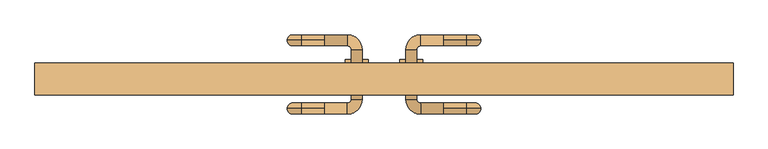
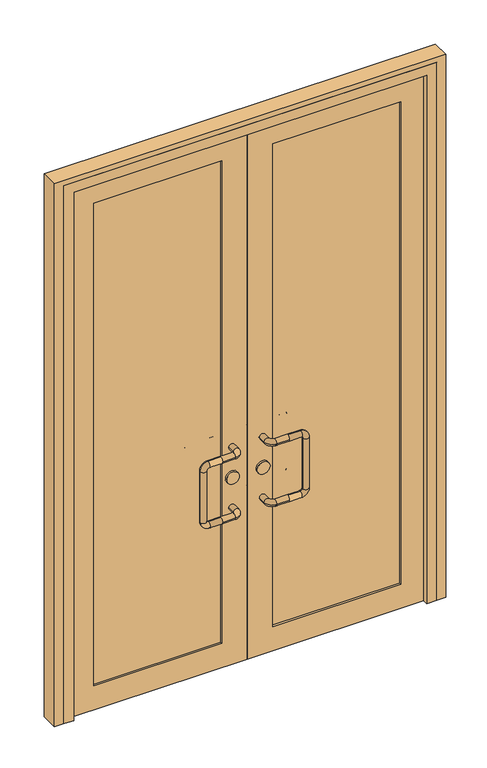
"""IFC4 building model written with IfcOpenShell, lengths in millimetres: door geometry."""

from ifc_helpers import new_model, si_unit, point, frame, frame_2d, origin, place, context, project, spatial, polyline, circle_curve, ellipse_curve, trimmed, segment, composite_curve, outline, extrude, faceted_brep, source, transform, mapped, element, save
from ifc_brep_helpers import cylinder_surface, revolved_surface, advanced_brep


def door_734d596a(model_context):
    return source(origin(), model_context, "Body", "SolidModel", [
        advanced_brep(
        [(-130.0, 182.0, 900.0), (-130.0, 170.0, 912.0), (-130.0, 158.0, 900.0), (-80.0, 158.0, 900.0), (-80.0, 182.0, 900.0), (-130.0, 170.0, 888.0), (-72.0, 150.0, 900.0), (-48.0, 150.0, 900.0), (-72.0, 40.0, 900.0), (-48.0, 40.0, 900.0), (-80.0, 32.0, 900.0), (-80.0, 8.0, 900.0), (-130.0, 32.0, 900.0), (-130.0, 20.0, 912.0), (-130.0, 8.0, 900.0), (-130.0, 20.0, 888.0), (-180.0, 170.0, 912.0), (-180.0, 170.0, 888.0), (-212.0, 170.0, 880.0), (-188.0, 170.0, 880.0), (-212.0, 170.0, 670.0), (-188.0, 170.0, 670.0), (-180.0, 170.0, 638.0), (-180.0, 170.0, 662.0), (-130.0, 170.0, 638.0), (-130.0, 158.0, 650.0), (-130.0, 170.0, 662.0), (-130.0, 182.0, 650.0), (-80.0, 158.0, 650.0), (-80.0, 182.0, 650.0), (-72.0, 150.0, 650.0), (-48.0, 150.0, 650.0), (-72.0, 40.0, 650.0), (-48.0, 40.0, 650.0), (-80.0, 32.0, 650.0), (-80.0, 8.0, 650.0), (-130.0, 32.0, 650.0), (-130.0, 20.0, 662.0), (-130.0, 8.0, 650.0), (-130.0, 20.0, 638.0), (-180.0, 20.0, 912.0), (-180.0, 20.0, 888.0), (-212.0, 20.0, 880.0), (-188.0, 20.0, 880.0), (-212.0, 20.0, 670.0), (-188.0, 20.0, 670.0), (-180.0, 20.0, 638.0), (-180.0, 20.0, 662.0)],
        [
            (0, 1, circle_curve(frame((-130.0, 170.0, 900.0), z_axis=(1.0, 0.0, 0.0), x_axis=(0.0, -1.0, 0.0)), 12.0)),
            (1, 2, circle_curve(frame((-130.0, 170.0, 900.0), z_axis=(1.0, 0.0, 0.0), x_axis=(0.0, -1.0, 0.0)), 12.0)),
            (2, 3),
            (3, 4, circle_curve(frame((-80.0, 170.0, 900.0), z_axis=(-1.0, 0.0, 0.0), x_axis=(0.0, -1.0, 0.0)), 12.0)),
            (4, 0),
            (4, 3, circle_curve(frame((-80.0, 170.0, 900.0), z_axis=(-1.0, 0.0, 0.0), x_axis=(0.0, -1.0, 0.0)), 12.0)),
            (2, 5, circle_curve(frame((-130.0, 170.0, 900.0), z_axis=(1.0, 0.0, 0.0), x_axis=(0.0, -1.0, 0.0)), 12.0)),
            (5, 0, circle_curve(frame((-130.0, 170.0, 900.0), z_axis=(1.0, 0.0, 0.0), x_axis=(0.0, -1.0, 0.0)), 12.0)),
            (3, 6, circle_curve(frame((-80.0, 150.0, 900.0), z_axis=(0.0, 0.0, -1.0), x_axis=(0.0, 1.0, 0.0)), 8.0)),
            (6, 7, circle_curve(frame((-60.0, 150.0, 900.0), z_axis=(0.0, 1.0, 0.0), x_axis=(-1.0, 0.0, 0.0)), 12.0)),
            (7, 4, circle_curve(frame((-80.0, 150.0, 900.0), z_axis=(0.0, 0.0, 1.0), x_axis=(0.0, 1.0, 0.0)), 32.0)),
            (7, 6, circle_curve(frame((-60.0, 150.0, 900.0), z_axis=(0.0, 1.0, 0.0), x_axis=(-1.0, 0.0, 0.0)), 12.0)),
            (6, 8),
            (8, 9, circle_curve(frame((-60.0, 40.0, 900.0), z_axis=(0.0, 1.0, 0.0), x_axis=(-1.0, 0.0, 0.0)), 12.0)),
            (9, 7),
            (9, 8, circle_curve(frame((-60.0, 40.0, 900.0), z_axis=(0.0, 1.0, 0.0), x_axis=(-1.0, 0.0, 0.0)), 12.0)),
            (8, 10, circle_curve(frame((-80.0, 40.0, 900.0), z_axis=(0.0, 0.0, -1.0), x_axis=(1.0, 0.0, 0.0)), 8.0)),
            (10, 11, circle_curve(frame((-80.0, 20.0, 900.0), z_axis=(1.0, 0.0, 0.0), x_axis=(0.0, 1.0, 0.0)), 12.0)),
            (11, 9, circle_curve(frame((-80.0, 40.0, 900.0), z_axis=(0.0, 0.0, 1.0), x_axis=(1.0, 0.0, 0.0)), 32.0)),
            (11, 10, circle_curve(frame((-80.0, 20.0, 900.0), z_axis=(1.0, 0.0, 0.0), x_axis=(0.0, 1.0, 0.0)), 12.0)),
            (10, 12),
            (12, 13, circle_curve(frame((-130.0, 20.0, 900.0), z_axis=(1.0, 0.0, 0.0), x_axis=(0.0, 1.0, 0.0)), 12.0)),
            (13, 14, circle_curve(frame((-130.0, 20.0, 900.0), z_axis=(1.0, 0.0, 0.0), x_axis=(0.0, 1.0, 0.0)), 12.0)),
            (14, 11),
            (14, 15, circle_curve(frame((-130.0, 20.0, 900.0), z_axis=(1.0, 0.0, 0.0), x_axis=(0.0, 1.0, 0.0)), 12.0)),
            (15, 12, circle_curve(frame((-130.0, 20.0, 900.0), z_axis=(1.0, 0.0, 0.0), x_axis=(0.0, 1.0, 0.0)), 12.0)),
            (1, 16),
            (16, 17, circle_curve(frame((-180.0, 170.0, 900.0), z_axis=(1.0, 0.0, 0.0), x_axis=(0.0, 0.0, 1.0)), 12.0)),
            (17, 5),
            (17, 16, circle_curve(frame((-180.0, 170.0, 900.0), z_axis=(1.0, 0.0, 0.0), x_axis=(0.0, 0.0, 1.0)), 12.0)),
            (16, 18, circle_curve(frame((-180.0, 170.0, 880.0), z_axis=(0.0, -1.0, 0.0), x_axis=(0.0, 0.0, 1.0)), 32.0)),
            (18, 19, circle_curve(frame((-200.0, 170.0, 880.0), z_axis=(0.0, 0.0, 1.0), x_axis=(-1.0, 0.0, 0.0)), 12.0)),
            (19, 17, circle_curve(frame((-180.0, 170.0, 880.0), z_axis=(0.0, 1.0, 0.0), x_axis=(0.0, 0.0, 1.0)), 8.0)),
            (19, 18, circle_curve(frame((-200.0, 170.0, 880.0), z_axis=(0.0, 0.0, 1.0), x_axis=(-1.0, 0.0, 0.0)), 12.0)),
            (18, 20),
            (20, 21, circle_curve(frame((-200.0, 170.0, 670.0), z_axis=(0.0, 0.0, 1.0), x_axis=(-1.0, 0.0, 0.0)), 12.0)),
            (21, 19),
            (21, 20, circle_curve(frame((-200.0, 170.0, 670.0), z_axis=(0.0, 0.0, 1.0), x_axis=(-1.0, 0.0, 0.0)), 12.0)),
            (20, 22, circle_curve(frame((-180.0, 170.0, 670.0), z_axis=(0.0, -1.0, 0.0), x_axis=(-1.0, 0.0, 0.0)), 32.0)),
            (22, 23, circle_curve(frame((-180.0, 170.0, 650.0), z_axis=(-1.0, 0.0, 0.0), x_axis=(0.0, 0.0, -1.0)), 12.0)),
            (23, 21, circle_curve(frame((-180.0, 170.0, 670.0), z_axis=(0.0, 1.0, 0.0), x_axis=(-1.0, 0.0, 0.0)), 8.0)),
            (23, 22, circle_curve(frame((-180.0, 170.0, 650.0), z_axis=(-1.0, 0.0, 0.0), x_axis=(0.0, 0.0, -1.0)), 12.0)),
            (22, 24),
            (24, 25, circle_curve(frame((-130.0, 170.0, 650.0), z_axis=(-1.0, 0.0, 0.0), x_axis=(0.0, 0.0, -1.0)), 12.0)),
            (25, 26, circle_curve(frame((-130.0, 170.0, 650.0), z_axis=(-1.0, 0.0, 0.0), x_axis=(0.0, 0.0, -1.0)), 12.0)),
            (26, 23),
            (26, 27, circle_curve(frame((-130.0, 170.0, 650.0), z_axis=(-1.0, 0.0, 0.0), x_axis=(0.0, 0.0, -1.0)), 12.0)),
            (27, 24, circle_curve(frame((-130.0, 170.0, 650.0), z_axis=(-1.0, 0.0, 0.0), x_axis=(0.0, 0.0, -1.0)), 12.0)),
            (25, 28),
            (28, 29, circle_curve(frame((-80.0, 170.0, 650.0), z_axis=(-1.0, 0.0, 0.0), x_axis=(0.0, -1.0, 0.0)), 12.0)),
            (29, 27),
            (29, 28, circle_curve(frame((-80.0, 170.0, 650.0), z_axis=(-1.0, 0.0, 0.0), x_axis=(0.0, -1.0, 0.0)), 12.0)),
            (28, 30, circle_curve(frame((-80.0, 150.0, 650.0), z_axis=(0.0, 0.0, -1.0), x_axis=(0.0, 1.0, 0.0)), 8.0)),
            (30, 31, circle_curve(frame((-60.0, 150.0, 650.0), z_axis=(0.0, 1.0, 0.0), x_axis=(-1.0, 0.0, 0.0)), 12.0)),
            (31, 29, circle_curve(frame((-80.0, 150.0, 650.0), z_axis=(0.0, 0.0, 1.0), x_axis=(0.0, 1.0, 0.0)), 32.0)),
            (31, 30, circle_curve(frame((-60.0, 150.0, 650.0), z_axis=(0.0, 1.0, 0.0), x_axis=(-1.0, 0.0, 0.0)), 12.0)),
            (30, 32),
            (32, 33, circle_curve(frame((-60.0, 40.0, 650.0), z_axis=(0.0, 1.0, 0.0), x_axis=(-1.0, 0.0, 0.0)), 12.0)),
            (33, 31),
            (33, 32, circle_curve(frame((-60.0, 40.0, 650.0), z_axis=(0.0, 1.0, 0.0), x_axis=(-1.0, 0.0, 0.0)), 12.0)),
            (32, 34, circle_curve(frame((-80.0, 40.0, 650.0), z_axis=(0.0, 0.0, -1.0), x_axis=(1.0, 0.0, 0.0)), 8.0)),
            (34, 35, circle_curve(frame((-80.0, 20.0, 650.0), z_axis=(1.0, 0.0, 0.0), x_axis=(0.0, 1.0, 0.0)), 12.0)),
            (35, 33, circle_curve(frame((-80.0, 40.0, 650.0), z_axis=(0.0, 0.0, 1.0), x_axis=(1.0, 0.0, 0.0)), 32.0)),
            (35, 34, circle_curve(frame((-80.0, 20.0, 650.0), z_axis=(1.0, 0.0, 0.0), x_axis=(0.0, 1.0, 0.0)), 12.0)),
            (34, 36),
            (36, 37, circle_curve(frame((-130.0, 20.0, 650.0), z_axis=(1.0, 0.0, 0.0), x_axis=(0.0, 1.0, 0.0)), 12.0)),
            (37, 38, circle_curve(frame((-130.0, 20.0, 650.0), z_axis=(1.0, 0.0, 0.0), x_axis=(0.0, 1.0, 0.0)), 12.0)),
            (38, 35),
            (38, 39, circle_curve(frame((-130.0, 20.0, 650.0), z_axis=(1.0, 0.0, 0.0), x_axis=(0.0, 1.0, 0.0)), 12.0)),
            (39, 36, circle_curve(frame((-130.0, 20.0, 650.0), z_axis=(1.0, 0.0, 0.0), x_axis=(0.0, 1.0, 0.0)), 12.0)),
            (13, 40),
            (40, 41, circle_curve(frame((-180.0, 20.0, 900.0), z_axis=(1.0, 0.0, 0.0), x_axis=(0.0, 0.0, 1.0)), 12.0)),
            (41, 15),
            (41, 40, circle_curve(frame((-180.0, 20.0, 900.0), z_axis=(1.0, 0.0, 0.0), x_axis=(0.0, 0.0, 1.0)), 12.0)),
            (40, 42, circle_curve(frame((-180.0, 20.0, 880.0), z_axis=(0.0, -1.0, 0.0), x_axis=(0.0, 0.0, 1.0)), 32.0)),
            (42, 43, circle_curve(frame((-200.0, 20.0, 880.0), z_axis=(0.0, 0.0, 1.0), x_axis=(-1.0, 0.0, 0.0)), 12.0)),
            (43, 41, circle_curve(frame((-180.0, 20.0, 880.0), z_axis=(0.0, 1.0, 0.0), x_axis=(0.0, 0.0, 1.0)), 8.0)),
            (43, 42, circle_curve(frame((-200.0, 20.0, 880.0), z_axis=(0.0, 0.0, 1.0), x_axis=(-1.0, 0.0, 0.0)), 12.0)),
            (42, 44),
            (44, 45, circle_curve(frame((-200.0, 20.0, 670.0), z_axis=(0.0, 0.0, 1.0), x_axis=(-1.0, 0.0, 0.0)), 12.0)),
            (45, 43),
            (45, 44, circle_curve(frame((-200.0, 20.0, 670.0), z_axis=(0.0, 0.0, 1.0), x_axis=(-1.0, 0.0, 0.0)), 12.0)),
            (44, 46, circle_curve(frame((-180.0, 20.0, 670.0), z_axis=(0.0, -1.0, 0.0), x_axis=(-1.0, 0.0, 0.0)), 32.0)),
            (46, 47, circle_curve(frame((-180.0, 20.0, 650.0), z_axis=(-1.0, 0.0, 0.0), x_axis=(0.0, 0.0, -1.0)), 12.0)),
            (47, 45, circle_curve(frame((-180.0, 20.0, 670.0), z_axis=(0.0, 1.0, 0.0), x_axis=(-1.0, 0.0, 0.0)), 8.0)),
            (47, 46, circle_curve(frame((-180.0, 20.0, 650.0), z_axis=(-1.0, 0.0, 0.0), x_axis=(0.0, 0.0, -1.0)), 12.0)),
            (46, 39),
            (37, 47),
        ],
        [
            cylinder_surface(frame((-130.0, 170.0, 900.0), z_axis=(-1.0, 0.0, 0.0), x_axis=(0.0, -1.0, 0.0)), 12.0),
            revolved_surface(trimmed(ellipse_curve(frame((-80.0, 170.0, 900.0), z_axis=(1.0, 0.0, 0.0), x_axis=(0.0, -1.0, 0.0)), 12.0, 12.0), [point((-80.0, 182.0, 900.0))], [point((-80.0, 158.0, 900.0))], True, "CARTESIAN"), (-80.0, 150.0, 900.0), (0.0, 0.0, 1.0)),
            revolved_surface(trimmed(ellipse_curve(frame((-80.0, 170.0, 900.0), z_axis=(1.0, 0.0, 0.0), x_axis=(0.0, -1.0, 0.0)), 12.0, 12.0), [point((-80.0, 158.0, 900.0))], [point((-80.0, 182.0, 900.0))], True, "CARTESIAN"), (-80.0, 150.0, 900.0), (0.0, 0.0, 1.0)),
            cylinder_surface(frame((-60.0, 150.0, 900.0), z_axis=(0.0, 1.0, 0.0), x_axis=(-1.0, 0.0, 0.0)), 12.0),
            revolved_surface(trimmed(ellipse_curve(frame((-60.0, 40.0, 900.0), z_axis=(0.0, -1.0, 0.0), x_axis=(-1.0, 0.0, 0.0)), 12.0, 12.0), [point((-48.0, 40.0, 900.0))], [point((-72.0, 40.0, 900.0))], True, "CARTESIAN"), (-80.0, 40.0, 900.0), (0.0, 0.0, 1.0)),
            revolved_surface(trimmed(ellipse_curve(frame((-60.0, 40.0, 900.0), z_axis=(0.0, -1.0, 0.0), x_axis=(-1.0, 0.0, 0.0)), 12.0, 12.0), [point((-72.0, 40.0, 900.0))], [point((-48.0, 40.0, 900.0))], True, "CARTESIAN"), (-80.0, 40.0, 900.0), (0.0, 0.0, 1.0)),
            cylinder_surface(frame((-80.0, 20.0, 900.0), z_axis=(1.0, 0.0, 0.0), x_axis=(0.0, 1.0, 0.0)), 12.0),
            cylinder_surface(frame((-130.0, 170.0, 900.0), z_axis=(1.0, 0.0, 0.0), x_axis=(0.0, 0.0, 1.0)), 12.0),
            revolved_surface(trimmed(ellipse_curve(frame((-180.0, 170.0, 900.0), z_axis=(-1.0, 0.0, 0.0), x_axis=(0.0, 0.0, 1.0)), 12.0, 12.0), [point((-180.0, 170.0, 888.0))], [point((-180.0, 170.0, 912.0))], True, "CARTESIAN"), (-180.0, 170.0, 880.0), (0.0, 1.0, 0.0)),
            revolved_surface(trimmed(ellipse_curve(frame((-180.0, 170.0, 900.0), z_axis=(-1.0, 0.0, 0.0), x_axis=(0.0, 0.0, 1.0)), 12.0, 12.0), [point((-180.0, 170.0, 912.0))], [point((-180.0, 170.0, 888.0))], True, "CARTESIAN"), (-180.0, 170.0, 880.0), (0.0, 1.0, 0.0)),
            cylinder_surface(frame((-200.0, 170.0, 880.0), z_axis=(0.0, 0.0, 1.0), x_axis=(-1.0, 0.0, 0.0)), 12.0),
            revolved_surface(trimmed(ellipse_curve(frame((-200.0, 170.0, 670.0), z_axis=(0.0, 0.0, -1.0), x_axis=(-1.0, 0.0, 0.0)), 12.0, 12.0), [point((-188.0, 170.0, 670.0))], [point((-212.0, 170.0, 670.0))], True, "CARTESIAN"), (-180.0, 170.0, 670.0), (0.0, 1.0, 0.0)),
            revolved_surface(trimmed(ellipse_curve(frame((-200.0, 170.0, 670.0), z_axis=(0.0, 0.0, -1.0), x_axis=(-1.0, 0.0, 0.0)), 12.0, 12.0), [point((-212.0, 170.0, 670.0))], [point((-188.0, 170.0, 670.0))], True, "CARTESIAN"), (-180.0, 170.0, 670.0), (0.0, 1.0, 0.0)),
            cylinder_surface(frame((-180.0, 170.0, 650.0), z_axis=(-1.0, 0.0, 0.0), x_axis=(0.0, 0.0, -1.0)), 12.0),
            cylinder_surface(frame((-130.0, 170.0, 650.0), z_axis=(-1.0, 0.0, 0.0), x_axis=(0.0, -1.0, 0.0)), 12.0),
            revolved_surface(trimmed(ellipse_curve(frame((-80.0, 170.0, 650.0), z_axis=(1.0, 0.0, 0.0), x_axis=(0.0, -1.0, 0.0)), 12.0, 12.0), [point((-80.0, 182.0, 650.0))], [point((-80.0, 158.0, 650.0))], True, "CARTESIAN"), (-80.0, 150.0, 650.0), (0.0, 0.0, 1.0)),
            revolved_surface(trimmed(ellipse_curve(frame((-80.0, 170.0, 650.0), z_axis=(1.0, 0.0, 0.0), x_axis=(0.0, -1.0, 0.0)), 12.0, 12.0), [point((-80.0, 158.0, 650.0))], [point((-80.0, 182.0, 650.0))], True, "CARTESIAN"), (-80.0, 150.0, 650.0), (0.0, 0.0, 1.0)),
            cylinder_surface(frame((-60.0, 150.0, 650.0), z_axis=(0.0, 1.0, 0.0), x_axis=(-1.0, 0.0, 0.0)), 12.0),
            revolved_surface(trimmed(ellipse_curve(frame((-60.0, 40.0, 650.0), z_axis=(0.0, -1.0, 0.0), x_axis=(-1.0, 0.0, 0.0)), 12.0, 12.0), [point((-48.0, 40.0, 650.0))], [point((-72.0, 40.0, 650.0))], True, "CARTESIAN"), (-80.0, 40.0, 650.0), (0.0, 0.0, 1.0)),
            revolved_surface(trimmed(ellipse_curve(frame((-60.0, 40.0, 650.0), z_axis=(0.0, -1.0, 0.0), x_axis=(-1.0, 0.0, 0.0)), 12.0, 12.0), [point((-72.0, 40.0, 650.0))], [point((-48.0, 40.0, 650.0))], True, "CARTESIAN"), (-80.0, 40.0, 650.0), (0.0, 0.0, 1.0)),
            cylinder_surface(frame((-80.0, 20.0, 650.0), z_axis=(1.0, 0.0, 0.0), x_axis=(0.0, 1.0, 0.0)), 12.0),
            cylinder_surface(frame((-130.0, 20.0, 900.0), z_axis=(1.0, 0.0, 0.0), x_axis=(0.0, 0.0, 1.0)), 12.0),
            revolved_surface(trimmed(ellipse_curve(frame((-180.0, 20.0, 900.0), z_axis=(-1.0, 0.0, 0.0), x_axis=(0.0, 0.0, 1.0)), 12.0, 12.0), [point((-180.0, 20.0, 888.0))], [point((-180.0, 20.0, 912.0))], True, "CARTESIAN"), (-180.0, 20.0, 880.0), (0.0, 1.0, 0.0)),
            revolved_surface(trimmed(ellipse_curve(frame((-180.0, 20.0, 900.0), z_axis=(-1.0, 0.0, 0.0), x_axis=(0.0, 0.0, 1.0)), 12.0, 12.0), [point((-180.0, 20.0, 912.0))], [point((-180.0, 20.0, 888.0))], True, "CARTESIAN"), (-180.0, 20.0, 880.0), (0.0, 1.0, 0.0)),
            cylinder_surface(frame((-200.0, 20.0, 880.0), z_axis=(0.0, 0.0, 1.0), x_axis=(-1.0, 0.0, 0.0)), 12.0),
            revolved_surface(trimmed(ellipse_curve(frame((-200.0, 20.0, 670.0), z_axis=(0.0, 0.0, -1.0), x_axis=(-1.0, 0.0, 0.0)), 12.0, 12.0), [point((-188.0, 20.0, 670.0))], [point((-212.0, 20.0, 670.0))], True, "CARTESIAN"), (-180.0, 20.0, 670.0), (0.0, 1.0, 0.0)),
            revolved_surface(trimmed(ellipse_curve(frame((-200.0, 20.0, 670.0), z_axis=(0.0, 0.0, -1.0), x_axis=(-1.0, 0.0, 0.0)), 12.0, 12.0), [point((-212.0, 20.0, 670.0))], [point((-188.0, 20.0, 670.0))], True, "CARTESIAN"), (-180.0, 20.0, 670.0), (0.0, 1.0, 0.0)),
            cylinder_surface(frame((-180.0, 20.0, 650.0), z_axis=(-1.0, 0.0, 0.0), x_axis=(0.0, 0.0, -1.0)), 12.0),
        ],
        [
            (0, [[1, 2, 3, 4, 5]]),
            (0, [[6, -3, 7, 8, -5]]),
            (1, [[9, 10, 11, -4]]),
            (2, [[-11, 12, -9, -6]]),
            (3, [[13, 14, 15, -10]]),
            (3, [[-15, 16, -13, -12]]),
            (4, [[17, 18, 19, -14]]),
            (5, [[-19, 20, -17, -16]]),
            (6, [[21, 22, 23, 24, -18]]),
            (6, [[-24, 25, 26, -21, -20]]),
            (7, [[-7, -2, 27, 28, 29]]),
            (7, [[30, -27, -1, -8, -29]]),
            (8, [[31, 32, 33, -28]]),
            (9, [[-33, 34, -31, -30]]),
            (10, [[35, 36, 37, -32]]),
            (10, [[-37, 38, -35, -34]]),
            (11, [[39, 40, 41, -36]]),
            (12, [[-41, 42, -39, -38]]),
            (13, [[43, 44, 45, 46, -40]]),
            (13, [[-46, 47, 48, -43, -42]]),
            (14, [[-47, -45, 49, 50, 51]]),
            (14, [[52, -49, -44, -48, -51]]),
            (15, [[53, 54, 55, -50]]),
            (16, [[-55, 56, -53, -52]]),
            (17, [[57, 58, 59, -54]]),
            (17, [[-59, 60, -57, -56]]),
            (18, [[61, 62, 63, -58]]),
            (19, [[-63, 64, -61, -60]]),
            (20, [[65, 66, 67, 68, -62]]),
            (20, [[-68, 69, 70, -65, -64]]),
            (21, [[-25, -23, 71, 72, 73]]),
            (21, [[74, -71, -22, -26, -73]]),
            (22, [[75, 76, 77, -72]]),
            (23, [[-77, 78, -75, -74]]),
            (24, [[79, 80, 81, -76]]),
            (24, [[-81, 82, -79, -78]]),
            (25, [[83, 84, 85, -80]]),
            (26, [[-85, 86, -83, -82]]),
            (27, [[87, -69, -67, 88, -84]]),
            (27, [[-88, -66, -70, -87, -86]]),
        ],
    ),
        extrude(outline(composite_curve([segment(trimmed(circle_curve(frame_2d((775.0, -60.0)), 25.0), [point((775.0, -35.0))], [point((775.0, -85.0))], False, "CARTESIAN"), True, "CONTINUOUS"), segment(trimmed(circle_curve(frame_2d((775.0, -60.0)), 25.0), [point((775.0, -85.0))], [point((775.0, -35.0))], False, "CARTESIAN"), True, "CONTINUOUS")], self_intersect=False)), frame((0.0, 62.0, 0.0), z_axis=(0.0, 1.0, 0.0), x_axis=(0.0, 0.0, 1.0)), (0.0, 0.0, 1.0), 66.0),
        advanced_brep(
        [(130.0, 182.0, 900.0), (80.0, 182.0, 900.0), (80.0, 158.0, 900.0), (130.0, 158.0, 900.0), (130.0, 170.0, 912.0), (130.0, 170.0, 888.0), (48.0, 150.0, 900.0), (72.0, 150.0, 900.0), (48.0, 40.0, 900.0), (72.0, 40.0, 900.0), (80.0, 8.0, 900.0), (80.0, 32.0, 900.0), (130.0, 8.0, 900.0), (130.0, 20.0, 912.0), (130.0, 32.0, 900.0), (130.0, 20.0, 888.0), (180.0, 170.0, 888.0), (180.0, 170.0, 912.0), (188.0, 170.0, 880.0), (212.0, 170.0, 880.0), (188.0, 170.0, 670.0), (212.0, 170.0, 670.0), (180.0, 170.0, 662.0), (180.0, 170.0, 638.0), (130.0, 170.0, 662.0), (130.0, 158.0, 650.0), (130.0, 170.0, 638.0), (130.0, 182.0, 650.0), (80.0, 182.0, 650.0), (80.0, 158.0, 650.0), (48.0, 150.0, 650.0), (72.0, 150.0, 650.0), (48.0, 40.0, 650.0), (72.0, 40.0, 650.0), (80.0, 8.0, 650.0), (80.0, 32.0, 650.0), (130.0, 8.0, 650.0), (130.0, 20.0, 662.0), (130.0, 32.0, 650.0), (130.0, 20.0, 638.0), (180.0, 20.0, 888.0), (180.0, 20.0, 912.0), (188.0, 20.0, 880.0), (212.0, 20.0, 880.0), (188.0, 20.0, 670.0), (212.0, 20.0, 670.0), (180.0, 20.0, 662.0), (180.0, 20.0, 638.0)],
        [
            (0, 1),
            (1, 2, circle_curve(frame((80.0, 170.0, 900.0), z_axis=(1.0, 0.0, 0.0), x_axis=(0.0, -1.0, 0.0)), 12.0)),
            (2, 3),
            (3, 4, circle_curve(frame((130.0, 170.0, 900.0), z_axis=(-1.0, 0.0, 0.0), x_axis=(0.0, -1.0, 0.0)), 12.0)),
            (4, 0, circle_curve(frame((130.0, 170.0, 900.0), z_axis=(-1.0, 0.0, 0.0), x_axis=(0.0, -1.0, 0.0)), 12.0)),
            (0, 5, circle_curve(frame((130.0, 170.0, 900.0), z_axis=(-1.0, 0.0, 0.0), x_axis=(0.0, -1.0, 0.0)), 12.0)),
            (5, 3, circle_curve(frame((130.0, 170.0, 900.0), z_axis=(-1.0, 0.0, 0.0), x_axis=(0.0, -1.0, 0.0)), 12.0)),
            (2, 1, circle_curve(frame((80.0, 170.0, 900.0), z_axis=(1.0, 0.0, 0.0), x_axis=(0.0, -1.0, 0.0)), 12.0)),
            (1, 6, circle_curve(frame((80.0, 150.0, 900.0), z_axis=(0.0, 0.0, 1.0), x_axis=(0.0, 1.0, 0.0)), 32.0)),
            (6, 7, circle_curve(frame((60.0, 150.0, 900.0), z_axis=(0.0, 1.0, 0.0), x_axis=(1.0, 0.0, 0.0)), 12.0)),
            (7, 2, circle_curve(frame((80.0, 150.0, 900.0), z_axis=(0.0, 0.0, -1.0), x_axis=(0.0, 1.0, 0.0)), 8.0)),
            (7, 6, circle_curve(frame((60.0, 150.0, 900.0), z_axis=(0.0, 1.0, 0.0), x_axis=(1.0, 0.0, 0.0)), 12.0)),
            (6, 8),
            (8, 9, circle_curve(frame((60.0, 40.0, 900.0), z_axis=(0.0, 1.0, 0.0), x_axis=(1.0, 0.0, 0.0)), 12.0)),
            (9, 7),
            (9, 8, circle_curve(frame((60.0, 40.0, 900.0), z_axis=(0.0, 1.0, 0.0), x_axis=(1.0, 0.0, 0.0)), 12.0)),
            (8, 10, circle_curve(frame((80.0, 40.0, 900.0), z_axis=(0.0, 0.0, 1.0), x_axis=(-1.0, 0.0, 0.0)), 32.0)),
            (10, 11, circle_curve(frame((80.0, 20.0, 900.0), z_axis=(-1.0, 0.0, 0.0), x_axis=(0.0, 1.0, 0.0)), 12.0)),
            (11, 9, circle_curve(frame((80.0, 40.0, 900.0), z_axis=(0.0, 0.0, -1.0), x_axis=(-1.0, 0.0, 0.0)), 8.0)),
            (11, 10, circle_curve(frame((80.0, 20.0, 900.0), z_axis=(-1.0, 0.0, 0.0), x_axis=(0.0, 1.0, 0.0)), 12.0)),
            (10, 12),
            (12, 13, circle_curve(frame((130.0, 20.0, 900.0), z_axis=(-1.0, 0.0, 0.0), x_axis=(0.0, 1.0, 0.0)), 12.0)),
            (13, 14, circle_curve(frame((130.0, 20.0, 900.0), z_axis=(-1.0, 0.0, 0.0), x_axis=(0.0, 1.0, 0.0)), 12.0)),
            (14, 11),
            (14, 15, circle_curve(frame((130.0, 20.0, 900.0), z_axis=(-1.0, 0.0, 0.0), x_axis=(0.0, 1.0, 0.0)), 12.0)),
            (15, 12, circle_curve(frame((130.0, 20.0, 900.0), z_axis=(-1.0, 0.0, 0.0), x_axis=(0.0, 1.0, 0.0)), 12.0)),
            (5, 16),
            (16, 17, circle_curve(frame((180.0, 170.0, 900.0), z_axis=(-1.0, 0.0, 0.0), x_axis=(0.0, 0.0, 1.0)), 12.0)),
            (17, 4),
            (17, 16, circle_curve(frame((180.0, 170.0, 900.0), z_axis=(-1.0, 0.0, 0.0), x_axis=(0.0, 0.0, 1.0)), 12.0)),
            (16, 18, circle_curve(frame((180.0, 170.0, 880.0), z_axis=(0.0, 1.0, 0.0), x_axis=(0.0, 0.0, 1.0)), 8.0)),
            (18, 19, circle_curve(frame((200.0, 170.0, 880.0), z_axis=(0.0, 0.0, 1.0), x_axis=(1.0, 0.0, 0.0)), 12.0)),
            (19, 17, circle_curve(frame((180.0, 170.0, 880.0), z_axis=(0.0, -1.0, 0.0), x_axis=(0.0, 0.0, 1.0)), 32.0)),
            (19, 18, circle_curve(frame((200.0, 170.0, 880.0), z_axis=(0.0, 0.0, 1.0), x_axis=(1.0, 0.0, 0.0)), 12.0)),
            (18, 20),
            (20, 21, circle_curve(frame((200.0, 170.0, 670.0), z_axis=(0.0, 0.0, 1.0), x_axis=(1.0, 0.0, 0.0)), 12.0)),
            (21, 19),
            (21, 20, circle_curve(frame((200.0, 170.0, 670.0), z_axis=(0.0, 0.0, 1.0), x_axis=(1.0, 0.0, 0.0)), 12.0)),
            (20, 22, circle_curve(frame((180.0, 170.0, 670.0), z_axis=(0.0, 1.0, 0.0), x_axis=(1.0, 0.0, 0.0)), 8.0)),
            (22, 23, circle_curve(frame((180.0, 170.0, 650.0), z_axis=(1.0, 0.0, 0.0), x_axis=(0.0, 0.0, -1.0)), 12.0)),
            (23, 21, circle_curve(frame((180.0, 170.0, 670.0), z_axis=(0.0, -1.0, 0.0), x_axis=(1.0, 0.0, 0.0)), 32.0)),
            (23, 22, circle_curve(frame((180.0, 170.0, 650.0), z_axis=(1.0, 0.0, 0.0), x_axis=(0.0, 0.0, -1.0)), 12.0)),
            (22, 24),
            (24, 25, circle_curve(frame((130.0, 170.0, 650.0), z_axis=(1.0, 0.0, 0.0), x_axis=(0.0, 0.0, -1.0)), 12.0)),
            (25, 26, circle_curve(frame((130.0, 170.0, 650.0), z_axis=(1.0, 0.0, 0.0), x_axis=(0.0, 0.0, -1.0)), 12.0)),
            (26, 23),
            (26, 27, circle_curve(frame((130.0, 170.0, 650.0), z_axis=(1.0, 0.0, 0.0), x_axis=(0.0, 0.0, -1.0)), 12.0)),
            (27, 24, circle_curve(frame((130.0, 170.0, 650.0), z_axis=(1.0, 0.0, 0.0), x_axis=(0.0, 0.0, -1.0)), 12.0)),
            (27, 28),
            (28, 29, circle_curve(frame((80.0, 170.0, 650.0), z_axis=(1.0, 0.0, 0.0), x_axis=(0.0, -1.0, 0.0)), 12.0)),
            (29, 25),
            (29, 28, circle_curve(frame((80.0, 170.0, 650.0), z_axis=(1.0, 0.0, 0.0), x_axis=(0.0, -1.0, 0.0)), 12.0)),
            (28, 30, circle_curve(frame((80.0, 150.0, 650.0), z_axis=(0.0, 0.0, 1.0), x_axis=(0.0, 1.0, 0.0)), 32.0)),
            (30, 31, circle_curve(frame((60.0, 150.0, 650.0), z_axis=(0.0, 1.0, 0.0), x_axis=(1.0, 0.0, 0.0)), 12.0)),
            (31, 29, circle_curve(frame((80.0, 150.0, 650.0), z_axis=(0.0, 0.0, -1.0), x_axis=(0.0, 1.0, 0.0)), 8.0)),
            (31, 30, circle_curve(frame((60.0, 150.0, 650.0), z_axis=(0.0, 1.0, 0.0), x_axis=(1.0, 0.0, 0.0)), 12.0)),
            (30, 32),
            (32, 33, circle_curve(frame((60.0, 40.0, 650.0), z_axis=(0.0, 1.0, 0.0), x_axis=(1.0, 0.0, 0.0)), 12.0)),
            (33, 31),
            (33, 32, circle_curve(frame((60.0, 40.0, 650.0), z_axis=(0.0, 1.0, 0.0), x_axis=(1.0, 0.0, 0.0)), 12.0)),
            (32, 34, circle_curve(frame((80.0, 40.0, 650.0), z_axis=(0.0, 0.0, 1.0), x_axis=(-1.0, 0.0, 0.0)), 32.0)),
            (34, 35, circle_curve(frame((80.0, 20.0, 650.0), z_axis=(-1.0, 0.0, 0.0), x_axis=(0.0, 1.0, 0.0)), 12.0)),
            (35, 33, circle_curve(frame((80.0, 40.0, 650.0), z_axis=(0.0, 0.0, -1.0), x_axis=(-1.0, 0.0, 0.0)), 8.0)),
            (35, 34, circle_curve(frame((80.0, 20.0, 650.0), z_axis=(-1.0, 0.0, 0.0), x_axis=(0.0, 1.0, 0.0)), 12.0)),
            (34, 36),
            (36, 37, circle_curve(frame((130.0, 20.0, 650.0), z_axis=(-1.0, 0.0, 0.0), x_axis=(0.0, 1.0, 0.0)), 12.0)),
            (37, 38, circle_curve(frame((130.0, 20.0, 650.0), z_axis=(-1.0, 0.0, 0.0), x_axis=(0.0, 1.0, 0.0)), 12.0)),
            (38, 35),
            (38, 39, circle_curve(frame((130.0, 20.0, 650.0), z_axis=(-1.0, 0.0, 0.0), x_axis=(0.0, 1.0, 0.0)), 12.0)),
            (39, 36, circle_curve(frame((130.0, 20.0, 650.0), z_axis=(-1.0, 0.0, 0.0), x_axis=(0.0, 1.0, 0.0)), 12.0)),
            (15, 40),
            (40, 41, circle_curve(frame((180.0, 20.0, 900.0), z_axis=(-1.0, 0.0, 0.0), x_axis=(0.0, 0.0, 1.0)), 12.0)),
            (41, 13),
            (41, 40, circle_curve(frame((180.0, 20.0, 900.0), z_axis=(-1.0, 0.0, 0.0), x_axis=(0.0, 0.0, 1.0)), 12.0)),
            (40, 42, circle_curve(frame((180.0, 20.0, 880.0), z_axis=(0.0, 1.0, 0.0), x_axis=(0.0, 0.0, 1.0)), 8.0)),
            (42, 43, circle_curve(frame((200.0, 20.0, 880.0), z_axis=(0.0, 0.0, 1.0), x_axis=(1.0, 0.0, 0.0)), 12.0)),
            (43, 41, circle_curve(frame((180.0, 20.0, 880.0), z_axis=(0.0, -1.0, 0.0), x_axis=(0.0, 0.0, 1.0)), 32.0)),
            (43, 42, circle_curve(frame((200.0, 20.0, 880.0), z_axis=(0.0, 0.0, 1.0), x_axis=(1.0, 0.0, 0.0)), 12.0)),
            (42, 44),
            (44, 45, circle_curve(frame((200.0, 20.0, 670.0), z_axis=(0.0, 0.0, 1.0), x_axis=(1.0, 0.0, 0.0)), 12.0)),
            (45, 43),
            (45, 44, circle_curve(frame((200.0, 20.0, 670.0), z_axis=(0.0, 0.0, 1.0), x_axis=(1.0, 0.0, 0.0)), 12.0)),
            (44, 46, circle_curve(frame((180.0, 20.0, 670.0), z_axis=(0.0, 1.0, 0.0), x_axis=(1.0, 0.0, 0.0)), 8.0)),
            (46, 47, circle_curve(frame((180.0, 20.0, 650.0), z_axis=(1.0, 0.0, 0.0), x_axis=(0.0, 0.0, -1.0)), 12.0)),
            (47, 45, circle_curve(frame((180.0, 20.0, 670.0), z_axis=(0.0, -1.0, 0.0), x_axis=(1.0, 0.0, 0.0)), 32.0)),
            (47, 46, circle_curve(frame((180.0, 20.0, 650.0), z_axis=(1.0, 0.0, 0.0), x_axis=(0.0, 0.0, -1.0)), 12.0)),
            (46, 37),
            (39, 47),
        ],
        [
            cylinder_surface(frame((130.0, 170.0, 900.0), z_axis=(1.0, 0.0, 0.0), x_axis=(0.0, -1.0, 0.0)), 12.0),
            revolved_surface(trimmed(ellipse_curve(frame((80.0, 170.0, 900.0), z_axis=(1.0, 0.0, 0.0), x_axis=(0.0, -1.0, 0.0)), 12.0, 12.0), [point((80.0, 182.0, 900.0))], [point((80.0, 158.0, 900.0))], True, "CARTESIAN"), (80.0, 150.0, 900.0), (0.0, 0.0, 1.0)),
            revolved_surface(trimmed(ellipse_curve(frame((80.0, 170.0, 900.0), z_axis=(1.0, 0.0, 0.0), x_axis=(0.0, -1.0, 0.0)), 12.0, 12.0), [point((80.0, 158.0, 900.0))], [point((80.0, 182.0, 900.0))], True, "CARTESIAN"), (80.0, 150.0, 900.0), (0.0, 0.0, 1.0)),
            cylinder_surface(frame((60.0, 150.0, 900.0), z_axis=(0.0, 1.0, 0.0), x_axis=(1.0, 0.0, 0.0)), 12.0),
            revolved_surface(trimmed(ellipse_curve(frame((60.0, 40.0, 900.0), z_axis=(0.0, 1.0, 0.0), x_axis=(1.0, 0.0, 0.0)), 12.0, 12.0), [point((48.0, 40.0, 900.0))], [point((72.0, 40.0, 900.0))], True, "CARTESIAN"), (80.0, 40.0, 900.0), (0.0, 0.0, 1.0)),
            revolved_surface(trimmed(ellipse_curve(frame((60.0, 40.0, 900.0), z_axis=(0.0, 1.0, 0.0), x_axis=(1.0, 0.0, 0.0)), 12.0, 12.0), [point((72.0, 40.0, 900.0))], [point((48.0, 40.0, 900.0))], True, "CARTESIAN"), (80.0, 40.0, 900.0), (0.0, 0.0, 1.0)),
            cylinder_surface(frame((80.0, 20.0, 900.0), z_axis=(-1.0, 0.0, 0.0), x_axis=(0.0, 1.0, 0.0)), 12.0),
            cylinder_surface(frame((130.0, 170.0, 900.0), z_axis=(-1.0, 0.0, 0.0), x_axis=(0.0, 0.0, 1.0)), 12.0),
            revolved_surface(trimmed(ellipse_curve(frame((180.0, 170.0, 900.0), z_axis=(-1.0, 0.0, 0.0), x_axis=(0.0, 0.0, 1.0)), 12.0, 12.0), [point((180.0, 170.0, 888.0))], [point((180.0, 170.0, 912.0))], True, "CARTESIAN"), (180.0, 170.0, 880.0), (0.0, 1.0, 0.0)),
            revolved_surface(trimmed(ellipse_curve(frame((180.0, 170.0, 900.0), z_axis=(-1.0, 0.0, 0.0), x_axis=(0.0, 0.0, 1.0)), 12.0, 12.0), [point((180.0, 170.0, 912.0))], [point((180.0, 170.0, 888.0))], True, "CARTESIAN"), (180.0, 170.0, 880.0), (0.0, 1.0, 0.0)),
            cylinder_surface(frame((200.0, 170.0, 880.0), z_axis=(0.0, 0.0, 1.0), x_axis=(1.0, 0.0, 0.0)), 12.0),
            revolved_surface(trimmed(ellipse_curve(frame((200.0, 170.0, 670.0), z_axis=(0.0, 0.0, 1.0), x_axis=(1.0, 0.0, 0.0)), 12.0, 12.0), [point((188.0, 170.0, 670.0))], [point((212.0, 170.0, 670.0))], True, "CARTESIAN"), (180.0, 170.0, 670.0), (0.0, 1.0, 0.0)),
            revolved_surface(trimmed(ellipse_curve(frame((200.0, 170.0, 670.0), z_axis=(0.0, 0.0, 1.0), x_axis=(1.0, 0.0, 0.0)), 12.0, 12.0), [point((212.0, 170.0, 670.0))], [point((188.0, 170.0, 670.0))], True, "CARTESIAN"), (180.0, 170.0, 670.0), (0.0, 1.0, 0.0)),
            cylinder_surface(frame((180.0, 170.0, 650.0), z_axis=(1.0, 0.0, 0.0), x_axis=(0.0, 0.0, -1.0)), 12.0),
            cylinder_surface(frame((130.0, 170.0, 650.0), z_axis=(1.0, 0.0, 0.0), x_axis=(0.0, -1.0, 0.0)), 12.0),
            revolved_surface(trimmed(ellipse_curve(frame((80.0, 170.0, 650.0), z_axis=(1.0, 0.0, 0.0), x_axis=(0.0, -1.0, 0.0)), 12.0, 12.0), [point((80.0, 182.0, 650.0))], [point((80.0, 158.0, 650.0))], True, "CARTESIAN"), (80.0, 150.0, 650.0), (0.0, 0.0, 1.0)),
            revolved_surface(trimmed(ellipse_curve(frame((80.0, 170.0, 650.0), z_axis=(1.0, 0.0, 0.0), x_axis=(0.0, -1.0, 0.0)), 12.0, 12.0), [point((80.0, 158.0, 650.0))], [point((80.0, 182.0, 650.0))], True, "CARTESIAN"), (80.0, 150.0, 650.0), (0.0, 0.0, 1.0)),
            cylinder_surface(frame((60.0, 150.0, 650.0), z_axis=(0.0, 1.0, 0.0), x_axis=(1.0, 0.0, 0.0)), 12.0),
            revolved_surface(trimmed(ellipse_curve(frame((60.0, 40.0, 650.0), z_axis=(0.0, 1.0, 0.0), x_axis=(1.0, 0.0, 0.0)), 12.0, 12.0), [point((48.0, 40.0, 650.0))], [point((72.0, 40.0, 650.0))], True, "CARTESIAN"), (80.0, 40.0, 650.0), (0.0, 0.0, 1.0)),
            revolved_surface(trimmed(ellipse_curve(frame((60.0, 40.0, 650.0), z_axis=(0.0, 1.0, 0.0), x_axis=(1.0, 0.0, 0.0)), 12.0, 12.0), [point((72.0, 40.0, 650.0))], [point((48.0, 40.0, 650.0))], True, "CARTESIAN"), (80.0, 40.0, 650.0), (0.0, 0.0, 1.0)),
            cylinder_surface(frame((80.0, 20.0, 650.0), z_axis=(-1.0, 0.0, 0.0), x_axis=(0.0, 1.0, 0.0)), 12.0),
            cylinder_surface(frame((130.0, 20.0, 900.0), z_axis=(-1.0, 0.0, 0.0), x_axis=(0.0, 0.0, 1.0)), 12.0),
            revolved_surface(trimmed(ellipse_curve(frame((180.0, 20.0, 900.0), z_axis=(-1.0, 0.0, 0.0), x_axis=(0.0, 0.0, 1.0)), 12.0, 12.0), [point((180.0, 20.0, 888.0))], [point((180.0, 20.0, 912.0))], True, "CARTESIAN"), (180.0, 20.0, 880.0), (0.0, 1.0, 0.0)),
            revolved_surface(trimmed(ellipse_curve(frame((180.0, 20.0, 900.0), z_axis=(-1.0, 0.0, 0.0), x_axis=(0.0, 0.0, 1.0)), 12.0, 12.0), [point((180.0, 20.0, 912.0))], [point((180.0, 20.0, 888.0))], True, "CARTESIAN"), (180.0, 20.0, 880.0), (0.0, 1.0, 0.0)),
            cylinder_surface(frame((200.0, 20.0, 880.0), z_axis=(0.0, 0.0, 1.0), x_axis=(1.0, 0.0, 0.0)), 12.0),
            revolved_surface(trimmed(ellipse_curve(frame((200.0, 20.0, 670.0), z_axis=(0.0, 0.0, 1.0), x_axis=(1.0, 0.0, 0.0)), 12.0, 12.0), [point((188.0, 20.0, 670.0))], [point((212.0, 20.0, 670.0))], True, "CARTESIAN"), (180.0, 20.0, 670.0), (0.0, 1.0, 0.0)),
            revolved_surface(trimmed(ellipse_curve(frame((200.0, 20.0, 670.0), z_axis=(0.0, 0.0, 1.0), x_axis=(1.0, 0.0, 0.0)), 12.0, 12.0), [point((212.0, 20.0, 670.0))], [point((188.0, 20.0, 670.0))], True, "CARTESIAN"), (180.0, 20.0, 670.0), (0.0, 1.0, 0.0)),
            cylinder_surface(frame((180.0, 20.0, 650.0), z_axis=(1.0, 0.0, 0.0), x_axis=(0.0, 0.0, -1.0)), 12.0),
        ],
        [
            (0, [[1, 2, 3, 4, 5]]),
            (0, [[-1, 6, 7, -3, 8]]),
            (1, [[-2, 9, 10, 11]]),
            (2, [[-8, -11, 12, -9]]),
            (3, [[-10, 13, 14, 15]]),
            (3, [[-12, -15, 16, -13]]),
            (4, [[-14, 17, 18, 19]]),
            (5, [[-16, -19, 20, -17]]),
            (6, [[-18, 21, 22, 23, 24]]),
            (6, [[-20, -24, 25, 26, -21]]),
            (7, [[27, 28, 29, -4, -7]]),
            (7, [[-27, -6, -5, -29, 30]]),
            (8, [[-28, 31, 32, 33]]),
            (9, [[-30, -33, 34, -31]]),
            (10, [[-32, 35, 36, 37]]),
            (10, [[-34, -37, 38, -35]]),
            (11, [[-36, 39, 40, 41]]),
            (12, [[-38, -41, 42, -39]]),
            (13, [[-40, 43, 44, 45, 46]]),
            (13, [[-42, -46, 47, 48, -43]]),
            (14, [[49, 50, 51, -44, -48]]),
            (14, [[-49, -47, -45, -51, 52]]),
            (15, [[-50, 53, 54, 55]]),
            (16, [[-52, -55, 56, -53]]),
            (17, [[-54, 57, 58, 59]]),
            (17, [[-56, -59, 60, -57]]),
            (18, [[-58, 61, 62, 63]]),
            (19, [[-60, -63, 64, -61]]),
            (20, [[-62, 65, 66, 67, 68]]),
            (20, [[-64, -68, 69, 70, -65]]),
            (21, [[71, 72, 73, -22, -26]]),
            (21, [[-71, -25, -23, -73, 74]]),
            (22, [[-72, 75, 76, 77]]),
            (23, [[-74, -77, 78, -75]]),
            (24, [[-76, 79, 80, 81]]),
            (24, [[-78, -81, 82, -79]]),
            (25, [[-80, 83, 84, 85]]),
            (26, [[-82, -85, 86, -83]]),
            (27, [[-84, 87, -66, -70, 88]]),
            (27, [[-86, -88, -69, -67, -87]]),
        ],
    ),
        extrude(outline(composite_curve([segment(trimmed(circle_curve(frame_2d((775.0, 60.0)), 25.0), [point((775.0, 35.0))], [point((775.0, 85.0))], False, "CARTESIAN"), True, "CONTINUOUS"), segment(trimmed(circle_curve(frame_2d((775.0, 60.0)), 25.0), [point((775.0, 85.0))], [point((775.0, 35.0))], False, "CARTESIAN"), True, "CONTINUOUS")], self_intersect=False)), frame((0.0, 62.0, 0.0), z_axis=(0.0, 1.0, 0.0), x_axis=(0.0, 0.0, 1.0)), (0.0, 0.0, 1.0), 66.0),
        extrude(outline(polyline([(-600.0, 112.0), (-100.0, 112.0), (-100.0, 78.0), (-600.0, 78.0), (-600.0, 112.0)])), frame((0.0, 0.0, 100.0), z_axis=(0.0, 0.0, 1.0), x_axis=(1.0, 0.0, 0.0)), (0.0, 0.0, 1.0), 1995.0),
        extrude(outline(polyline([(0.0, -700.0), (0.0, 0.0), (2195.0, 0.0), (2195.0, -700.0), (0.0, -700.0)]), holes=[polyline([(100.0, -100.0), (100.0, -600.0), (2095.0, -600.0), (2095.0, -100.0), (100.0, -100.0)])]), frame((0.0, 70.0, 0.0), z_axis=(0.0, 1.0, 0.0), x_axis=(0.0, 0.0, 1.0)), (0.0, 0.0, 1.0), 50.0),
        extrude(outline(polyline([(100.0, 112.0), (600.0, 112.0), (600.0, 78.0), (100.0, 78.0), (100.0, 112.0)])), frame((0.0, 0.0, 100.0), z_axis=(0.0, 0.0, 1.0), x_axis=(1.0, 0.0, 0.0)), (0.0, 0.0, 1.0), 1995.0),
        extrude(outline(polyline([(0.0, 0.0), (0.0, 700.0), (2195.0, 700.0), (2195.0, 0.0), (0.0, 0.0)]), holes=[polyline([(100.0, 600.0), (100.0, 100.0), (2095.0, 100.0), (2095.0, 600.0), (100.0, 600.0)])]), frame((0.0, 70.0, 0.0), z_axis=(0.0, 1.0, 0.0), x_axis=(0.0, 0.0, 1.0)), (0.0, 0.0, 1.0), 50.0),
        extrude(outline(polyline([(0.0, 765.0), (2245.0, 765.0), (2245.0, -765.0), (0.0, -765.0), (0.0, -730.0), (2225.0, -730.0), (2225.0, 730.0), (0.0, 730.0), (0.0, 765.0)])), frame((0.0, 50.0, 0.0), z_axis=(0.0, 1.0, 0.0), x_axis=(0.0, 0.0, 1.0)), (0.0, 0.0, 1.0), 70.0),
        faceted_brep([(-730.0, 50.0, 0.0), (-730.0, 120.0, 0.0), (-700.0, 120.0, 0.0), (-700.0, 70.0, 0.0), (-690.0, 70.0, 0.0), (-690.0, 50.0, 0.0), (-730.0, 50.0, 2225.0), (-730.0, 120.0, 2225.0), (730.0, 120.0, 2225.0), (730.0, 120.0, 0.0), (700.0, 120.0, 0.0), (700.0, 120.0, 2195.0), (-700.0, 120.0, 2195.0), (-700.0, 70.0, 2195.0), (700.0, 70.0, 2195.0), (700.0, 70.0, 0.0), (690.0, 70.0, 0.0), (690.0, 70.0, 2185.0), (-690.0, 70.0, 2185.0), (-690.0, 50.0, 2185.0), (690.0, 50.0, 2185.0), (690.0, 50.0, 0.0), (730.0, 50.0, 0.0), (730.0, 50.0, 2225.0)], [[[0, 1, 2, 3, 4, 5]], [[1, 0, 6, 7]], [[2, 1, 7, 8, 9, 10, 11, 12]], [[3, 2, 12, 13]], [[4, 3, 13, 14, 15, 16, 17, 18]], [[5, 4, 18, 19]], [[0, 5, 19, 20, 21, 22, 23, 6]], [[7, 6, 23, 8]], [[13, 12, 11, 14]], [[19, 18, 17, 20]], [[22, 21, 16, 15, 10, 9]], [[8, 23, 22, 9]], [[14, 11, 10, 15]], [[20, 17, 16, 21]]]),
    ])


if __name__ == "__main__":
    model = new_model("IFC4")
    model_context = context("Model", 3, world=origin())
    ifc_project = project(units=[si_unit("LENGTHUNIT", "METRE", prefix="MILLI")], contexts=[model_context])
    site = spatial("IfcSite", under=ifc_project)
    building = spatial("IfcBuilding", under=site)
    placement = place(None, origin())
    door_shape = door_734d596a(model_context)
    element("IfcDoor", 1, at=placement, inside=building, context=model_context, shape_type="MappedRepresentation", body=[
        mapped(door_shape, transform((0.0, 0.0, 0.0), x_axis=(1.0, 0.0, 0.0), y_axis=(0.0, 1.0, 0.0), z_axis=(0.0, 0.0, 1.0))),
    ])
    save(model, "model.ifc")
